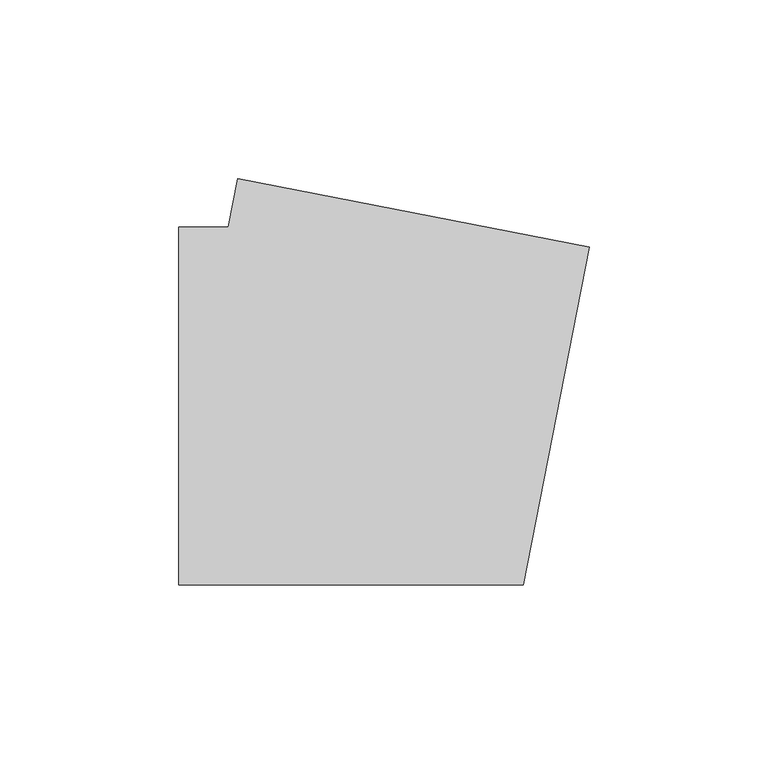
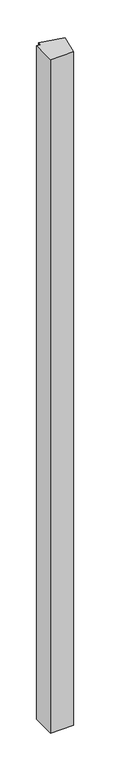
"""IFC4 building model written with IfcOpenShell, lengths in millimetres: member geometry."""

from ifc_helpers import new_model, si_unit, frame, origin, place, context, project, spatial, polyline, outline, extrude, source, transform, mapped, element, save


def member_3ac1edb9(model_context):
    return source(origin(), model_context, "Body", "SweptSolid", [
        extrude(outline(polyline([(59.5758539, 44.4490453), (41.2168193, -50.0), (-55.0, -50.0), (-55.0, 50.0), (-41.2168193, 50.0), (-38.5868644, 63.5299449), (59.5758539, 44.4490453)])), frame((0.0, 0.0, -2966.9289604), z_axis=(0.0, 0.0, 1.0), x_axis=(1.0, 0.0, 0.0)), (0.0, 0.0, 1.0), 2966.9289604),
    ])


if __name__ == "__main__":
    model = new_model("IFC4")
    model_context = context("Model", 3, world=origin())
    ifc_project = project(units=[si_unit("LENGTHUNIT", "METRE", prefix="MILLI")], contexts=[model_context])
    site = spatial("IfcSite", under=ifc_project)
    building = spatial("IfcBuilding", under=site)
    placement = place(None, origin())
    member_shape = member_3ac1edb9(model_context)
    element("IfcMember", 1, at=placement, inside=building, context=model_context, shape_type="MappedRepresentation", body=[
        mapped(member_shape, transform((0.0, 0.0, 0.0), x_axis=(1.0, 0.0, 0.0), y_axis=(0.0, 1.0, 0.0), z_axis=(0.0, 0.0, 1.0))),
    ])
    save(model, "model.ifc")
